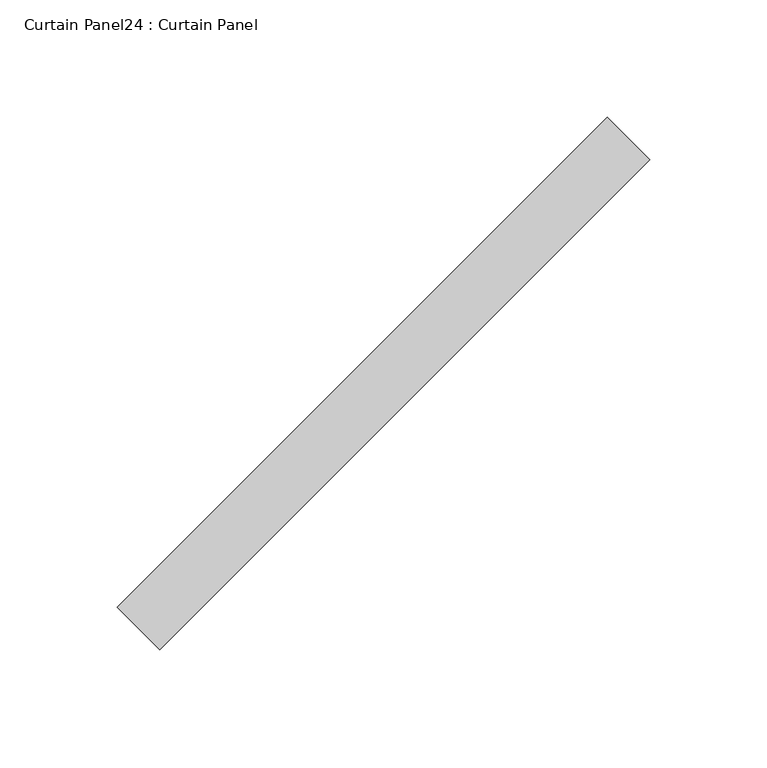
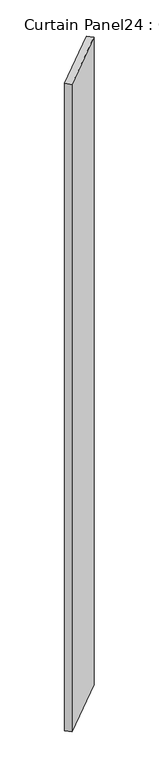
"""IFC4 building model written with IfcOpenShell, lengths in millimetres: plate geometry, Curtain Panel24 : Curtain Panel."""

from ifc_helpers import new_model, si_unit, frame, origin, place, context, project, spatial, polyline, outline, extrude, source, transform, mapped, element, save


def curtain_panel24_curtain_panel_7625f365(model_context):
    return source(origin(), model_context, "Body", "SweptSolid", [
        extrude(outline(polyline([(22984.4993902, 2651.4055849), (23193.290265, 2860.1964597), (23211.2507772, 2842.2359475), (23002.4599025, 2633.4450727), (22984.4993902, 2651.4055849)])), frame((0.0, 0.0, -633.5446495), z_axis=(0.0, 0.0, 1.0), x_axis=(1.0, 0.0, 0.0)), (0.0, 0.0, 1.0), 2743.2),
    ])


if __name__ == "__main__":
    model = new_model("IFC4")
    model_context = context("Model", 3, world=origin())
    ifc_project = project(units=[si_unit("LENGTHUNIT", "METRE", prefix="MILLI")], contexts=[model_context])
    site = spatial("IfcSite", under=ifc_project)
    building = spatial("IfcBuilding", under=site)
    placement = place(None, origin())
    curtain_panel24_curtain_panel_shape = curtain_panel24_curtain_panel_7625f365(model_context)
    element("IfcPlate", 1, ObjectType="Curtain Panel24 : Curtain Panel", at=placement, inside=building, context=model_context, shape_type="MappedRepresentation", body=[
        mapped(curtain_panel24_curtain_panel_shape, transform((0.0, 0.0, 0.0), x_axis=(1.0, 0.0, 0.0), y_axis=(0.0, 1.0, 0.0), z_axis=(0.0, 0.0, 1.0))),
    ])
    save(model, "model.ifc")
